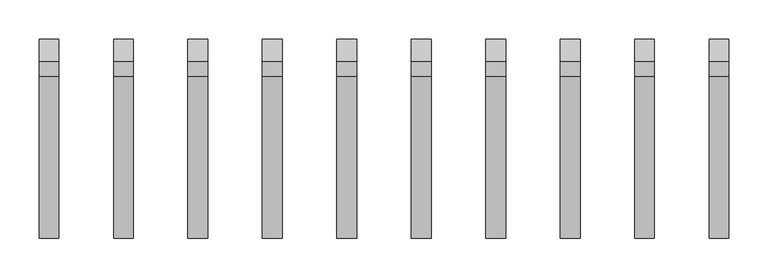
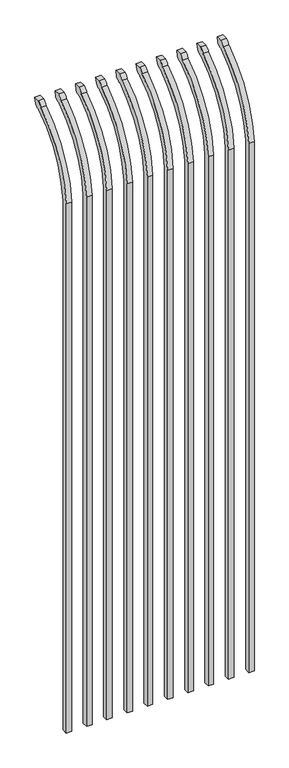
"""IFC4 building model written with IfcOpenShell, lengths in millimetres: railing geometry."""

from ifc_helpers import new_model, si_unit, point, frame, origin, place, context, project, spatial, polyline, circle_curve, ellipse_curve, trimmed, source, transform, mapped, element, save
from ifc_brep_helpers import plane_surface, cylinder_surface, revolved_surface, extruded_surface, advanced_brep


def railing_16928ac0(model_context):
    return source(origin(), model_context, "Body", "AdvancedBrep", [
        advanced_brep(
        [(21556.4350064, 8857.619541, 50.8), (21556.4350064, 8857.619541, 2673.5226889), (21556.4350064, 9054.7326851, 3005.7022378), (21556.4350064, 9081.2407099, 3020.3867549), (21556.4350064, 9087.1100864, 3048.0), (21556.4350064, 9058.8799449, 3048.0), (21556.4350064, 9039.4931591, 3027.0682561), (21556.4350064, 8832.219541, 2673.5226889), (21556.4350064, 8832.219541, 50.8), (21531.0350064, 8857.619541, 50.8), (21531.0350064, 8857.619541, 2673.5226889), (21531.0350064, 8832.219541, 2673.5226889), (21531.0350064, 8832.219541, 50.8), (21531.0350064, 9039.4931591, 3027.0682561), (21531.0350064, 9058.8799449, 3048.0), (21531.0350064, 9087.1100864, 3048.0), (21531.0350064, 9081.2407099, 3020.3867549), (21531.0350064, 9054.7326851, 3005.7022378)],
        [
            (0, 1),
            (1, 2, circle_curve(frame((21556.4350064, 9294.9874207, 2638.5640776), z_axis=(-1.0, 0.0, 0.0), x_axis=(0.0, 1.0, 0.0)), 438.7627681)),
            (2, 3, ellipse_curve(frame((21556.4350064, 9062.5579376, 3028.1180619), z_axis=(1.0, 0.0, 0.0), x_axis=(0.0, -0.7771459614569761, -0.6293203910498311)), 26.7460194, 19.05)),
            (3, 4),
            (4, 5),
            (5, 6, ellipse_curve(frame((21556.4350064, 9062.5579376, 3028.1180619), z_axis=(0.9999999999999999, 0.0, 0.0), x_axis=(0.0, -0.7771459614569769, -0.62932039104983)), 26.7460194, 19.05)),
            (6, 7, circle_curve(frame((21556.4350064, 9294.0333244, 2640.3065933), z_axis=(1.0, 0.0, 0.0), x_axis=(0.0, 1.0, 0.0)), 463.0067812)),
            (7, 8),
            (8, 0),
            (0, 9),
            (9, 10),
            (10, 1),
            (7, 11),
            (11, 12),
            (12, 8),
            (12, 9),
            (11, 13, circle_curve(frame((21531.0350064, 9294.0333244, 2640.3065933), z_axis=(-1.0, 0.0, 0.0), x_axis=(0.0, 1.0, 0.0)), 463.0067812)),
            (13, 14, ellipse_curve(frame((21531.0350064, 9062.5579376, 3028.1180619), z_axis=(-0.9999999999999999, 0.0, 0.0), x_axis=(0.0, -0.7771459614569769, -0.62932039104983)), 26.7460194, 19.05)),
            (14, 15),
            (15, 16),
            (16, 17, ellipse_curve(frame((21531.0350064, 9062.5579376, 3028.1180619), z_axis=(-1.0, 0.0, 0.0), x_axis=(0.0, -0.7771459614569761, -0.6293203910498311)), 26.7460194, 19.05)),
            (17, 10, circle_curve(frame((21531.0350064, 9294.9874207, 2638.5640776), z_axis=(1.0, 0.0, 0.0), x_axis=(0.0, 1.0, 0.0)), 438.7627681)),
            (17, 2),
            (16, 3),
            (15, 4),
            (14, 5),
            (13, 6),
        ],
        [
            plane_surface(frame((21556.4350064, 8857.619541, 50.8), z_axis=(1.0, 0.0, 0.0), x_axis=(0.0, 0.0, 1.0))),
            plane_surface(frame((21556.4350064, 8857.619541, 50.8), z_axis=(0.0, 1.0, 0.0), x_axis=(-1.0, 0.0, 0.0))),
            plane_surface(frame((21556.4350064, 8832.219541, 2673.5226889), z_axis=(0.0, -1.0, 0.0), x_axis=(-1.0, 0.0, 0.0))),
            plane_surface(frame((21556.4350064, 8832.219541, 50.8), z_axis=(0.0, 0.0, -1.0), x_axis=(-1.0, 0.0, 0.0))),
            plane_surface(frame((21531.0350064, 8857.619541, 50.8), z_axis=(-1.0, 0.0, 0.0), x_axis=(0.0, 0.0, -1.0))),
            revolved_surface(polyline([(21531.0350064, 9733.750188799999, 2638.5640776), (21556.4350064, 9733.750188799999, 2638.5640776)]), (21531.0350064, 9294.9874207, 2638.5640776), (-1.0, 0.0, 0.0)),
            extruded_surface(trimmed(ellipse_curve(frame((21505.6350064, 9062.5579376, 3028.1180619), z_axis=(1.0, 0.0, 0.0), x_axis=(0.0, -0.7771459614569761, -0.6293203910498311)), 26.7460194, 19.05), [point((21505.6350064, 9054.7326851, 3005.7022378))], [point((21505.6350064, 9081.2407099, 3020.3867549))], True, "CARTESIAN"), (25.400000000001455, 0.0, 0.0), 25.400000000001455),
            plane_surface(frame((21556.4350064, 9081.2407099, 3020.3867549), z_axis=(0.0, 0.9781476007338016, -0.2079116908177787), x_axis=(-1.0, 0.0, 0.0))),
            plane_surface(frame((21556.4350064, 9087.1100864, 3048.0), z_axis=(0.0, 0.0, 1.0), x_axis=(-1.0, 0.0, 0.0))),
            extruded_surface(trimmed(ellipse_curve(frame((21505.6350064, 9062.5579376, 3028.1180619), z_axis=(0.9999999999999999, 0.0, 0.0), x_axis=(0.0, -0.7771459614569769, -0.62932039104983)), 26.7460194, 19.05), [point((21505.6350064, 9058.8799449, 3048.0))], [point((21505.6350064, 9039.4931591, 3027.0682561))], True, "CARTESIAN"), (25.400000000001455, 0.0, 0.0), 25.400000000001455),
            cylinder_surface(frame((21531.0350064, 9294.0333244, 2640.3065933), z_axis=(1.0, 0.0, 0.0), x_axis=(0.0, 1.0, 0.0)), 463.0067812),
        ],
        [
            (0, [[1, 2, 3, 4, 5, 6, 7, 8, 9]]),
            (1, [[-1, 10, 11, 12]]),
            (2, [[-8, 13, 14, 15]]),
            (3, [[-9, -15, 16, -10]]),
            (4, [[-16, -14, 17, 18, 19, 20, 21, 22, -11]]),
            (5, [[-2, -12, -22, 23]]),
            (6, [[-3, -23, -21, 24]]),
            (7, [[-4, -24, -20, 25]]),
            (8, [[-5, -25, -19, 26]]),
            (9, [[-6, -26, -18, 27]]),
            (10, [[-7, -27, -17, -13]]),
        ],
    ),
        advanced_brep(
        [(21461.1850064, 8857.619541, 50.8), (21461.1850064, 8857.619541, 2673.5226889), (21461.1850064, 9054.7326851, 3005.7022378), (21461.1850064, 9081.2407099, 3020.3867549), (21461.1850064, 9087.1100864, 3048.0), (21461.1850064, 9058.8799449, 3048.0), (21461.1850064, 9039.4931591, 3027.0682561), (21461.1850064, 8832.219541, 2673.5226889), (21461.1850064, 8832.219541, 50.8), (21435.7850064, 8857.619541, 50.8), (21435.7850064, 8857.619541, 2673.5226889), (21435.7850064, 8832.219541, 2673.5226889), (21435.7850064, 8832.219541, 50.8), (21435.7850064, 9039.4931591, 3027.0682561), (21435.7850064, 9058.8799449, 3048.0), (21435.7850064, 9087.1100864, 3048.0), (21435.7850064, 9081.2407099, 3020.3867549), (21435.7850064, 9054.7326851, 3005.7022378)],
        [
            (0, 1),
            (1, 2, circle_curve(frame((21461.1850064, 9294.9874207, 2638.5640776), z_axis=(-1.0, 0.0, 0.0), x_axis=(0.0, 1.0, 0.0)), 438.7627681)),
            (2, 3, ellipse_curve(frame((21461.1850064, 9062.5579376, 3028.1180619), z_axis=(1.0, 0.0, 0.0), x_axis=(0.0, -0.7771459614569761, -0.6293203910498311)), 26.7460194, 19.05)),
            (3, 4),
            (4, 5),
            (5, 6, ellipse_curve(frame((21461.1850064, 9062.5579376, 3028.1180619), z_axis=(0.9999999999999999, 0.0, 0.0), x_axis=(0.0, -0.7771459614569769, -0.62932039104983)), 26.7460194, 19.05)),
            (6, 7, circle_curve(frame((21461.1850064, 9294.0333244, 2640.3065933), z_axis=(1.0, 0.0, 0.0), x_axis=(0.0, 1.0, 0.0)), 463.0067812)),
            (7, 8),
            (8, 0),
            (0, 9),
            (9, 10),
            (10, 1),
            (7, 11),
            (11, 12),
            (12, 8),
            (12, 9),
            (11, 13, circle_curve(frame((21435.7850064, 9294.0333244, 2640.3065933), z_axis=(-1.0, 0.0, 0.0), x_axis=(0.0, 1.0, 0.0)), 463.0067812)),
            (13, 14, ellipse_curve(frame((21435.7850064, 9062.5579376, 3028.1180619), z_axis=(-0.9999999999999999, 0.0, 0.0), x_axis=(0.0, -0.7771459614569769, -0.62932039104983)), 26.7460194, 19.05)),
            (14, 15),
            (15, 16),
            (16, 17, ellipse_curve(frame((21435.7850064, 9062.5579376, 3028.1180619), z_axis=(-1.0, 0.0, 0.0), x_axis=(0.0, -0.7771459614569761, -0.6293203910498311)), 26.7460194, 19.05)),
            (17, 10, circle_curve(frame((21435.7850064, 9294.9874207, 2638.5640776), z_axis=(1.0, 0.0, 0.0), x_axis=(0.0, 1.0, 0.0)), 438.7627681)),
            (17, 2),
            (16, 3),
            (15, 4),
            (14, 5),
            (13, 6),
        ],
        [
            plane_surface(frame((21461.1850064, 8857.619541, 50.8), z_axis=(1.0, 0.0, 0.0), x_axis=(0.0, 0.0, 1.0))),
            plane_surface(frame((21461.1850064, 8857.619541, 50.8), z_axis=(0.0, 1.0, 0.0), x_axis=(-1.0, 0.0, 0.0))),
            plane_surface(frame((21461.1850064, 8832.219541, 2673.5226889), z_axis=(0.0, -1.0, 0.0), x_axis=(-1.0, 0.0, 0.0))),
            plane_surface(frame((21461.1850064, 8832.219541, 50.8), z_axis=(0.0, 0.0, -1.0), x_axis=(-1.0, 0.0, 0.0))),
            plane_surface(frame((21435.7850064, 8857.619541, 50.8), z_axis=(-1.0, 0.0, 0.0), x_axis=(0.0, 0.0, -1.0))),
            revolved_surface(polyline([(21435.7850064, 9733.750188799999, 2638.5640776), (21461.1850064, 9733.750188799999, 2638.5640776)]), (21435.7850064, 9294.9874207, 2638.5640776), (-1.0, 0.0, 0.0)),
            extruded_surface(trimmed(ellipse_curve(frame((21410.3850064, 9062.5579376, 3028.1180619), z_axis=(1.0, 0.0, 0.0), x_axis=(0.0, -0.7771459614569761, -0.6293203910498311)), 26.7460194, 19.05), [point((21410.3850064, 9054.7326851, 3005.7022378))], [point((21410.3850064, 9081.2407099, 3020.3867549))], True, "CARTESIAN"), (25.400000000001455, 0.0, 0.0), 25.400000000001455),
            plane_surface(frame((21461.1850064, 9081.2407099, 3020.3867549), z_axis=(0.0, 0.9781476007338016, -0.2079116908177787), x_axis=(-1.0, 0.0, 0.0))),
            plane_surface(frame((21461.1850064, 9087.1100864, 3048.0), z_axis=(0.0, 0.0, 1.0), x_axis=(-1.0, 0.0, 0.0))),
            extruded_surface(trimmed(ellipse_curve(frame((21410.3850064, 9062.5579376, 3028.1180619), z_axis=(0.9999999999999999, 0.0, 0.0), x_axis=(0.0, -0.7771459614569769, -0.62932039104983)), 26.7460194, 19.05), [point((21410.3850064, 9058.8799449, 3048.0))], [point((21410.3850064, 9039.4931591, 3027.0682561))], True, "CARTESIAN"), (25.400000000001455, 0.0, 0.0), 25.400000000001455),
            cylinder_surface(frame((21435.7850064, 9294.0333244, 2640.3065933), z_axis=(1.0, 0.0, 0.0), x_axis=(0.0, 1.0, 0.0)), 463.0067812),
        ],
        [
            (0, [[1, 2, 3, 4, 5, 6, 7, 8, 9]]),
            (1, [[-1, 10, 11, 12]]),
            (2, [[-8, 13, 14, 15]]),
            (3, [[-9, -15, 16, -10]]),
            (4, [[-16, -14, 17, 18, 19, 20, 21, 22, -11]]),
            (5, [[-2, -12, -22, 23]]),
            (6, [[-3, -23, -21, 24]]),
            (7, [[-4, -24, -20, 25]]),
            (8, [[-5, -25, -19, 26]]),
            (9, [[-6, -26, -18, 27]]),
            (10, [[-7, -27, -17, -13]]),
        ],
    ),
        advanced_brep(
        [(21365.9350064, 8857.619541, 50.8), (21365.9350064, 8857.619541, 2673.5226889), (21365.9350064, 9054.7326851, 3005.7022378), (21365.9350064, 9081.2407099, 3020.3867549), (21365.9350064, 9087.1100864, 3048.0), (21365.9350064, 9058.8799449, 3048.0), (21365.9350064, 9039.4931591, 3027.0682561), (21365.9350064, 8832.219541, 2673.5226889), (21365.9350064, 8832.219541, 50.8), (21340.5350064, 8857.619541, 50.8), (21340.5350064, 8857.619541, 2673.5226889), (21340.5350064, 8832.219541, 2673.5226889), (21340.5350064, 8832.219541, 50.8), (21340.5350064, 9039.4931591, 3027.0682561), (21340.5350064, 9058.8799449, 3048.0), (21340.5350064, 9087.1100864, 3048.0), (21340.5350064, 9081.2407099, 3020.3867549), (21340.5350064, 9054.7326851, 3005.7022378)],
        [
            (0, 1),
            (1, 2, circle_curve(frame((21365.9350064, 9294.9874207, 2638.5640776), z_axis=(-1.0, 0.0, 0.0), x_axis=(0.0, 1.0, 0.0)), 438.7627681)),
            (2, 3, ellipse_curve(frame((21365.9350064, 9062.5579376, 3028.1180619), z_axis=(1.0, 0.0, 0.0), x_axis=(0.0, -0.7771459614569761, -0.6293203910498311)), 26.7460194, 19.05)),
            (3, 4),
            (4, 5),
            (5, 6, ellipse_curve(frame((21365.9350064, 9062.5579376, 3028.1180619), z_axis=(0.9999999999999999, 0.0, 0.0), x_axis=(0.0, -0.7771459614569769, -0.62932039104983)), 26.7460194, 19.05)),
            (6, 7, circle_curve(frame((21365.9350064, 9294.0333244, 2640.3065933), z_axis=(1.0, 0.0, 0.0), x_axis=(0.0, 1.0, 0.0)), 463.0067812)),
            (7, 8),
            (8, 0),
            (0, 9),
            (9, 10),
            (10, 1),
            (7, 11),
            (11, 12),
            (12, 8),
            (12, 9),
            (11, 13, circle_curve(frame((21340.5350064, 9294.0333244, 2640.3065933), z_axis=(-1.0, 0.0, 0.0), x_axis=(0.0, 1.0, 0.0)), 463.0067812)),
            (13, 14, ellipse_curve(frame((21340.5350064, 9062.5579376, 3028.1180619), z_axis=(-0.9999999999999999, 0.0, 0.0), x_axis=(0.0, -0.7771459614569769, -0.62932039104983)), 26.7460194, 19.05)),
            (14, 15),
            (15, 16),
            (16, 17, ellipse_curve(frame((21340.5350064, 9062.5579376, 3028.1180619), z_axis=(-1.0, 0.0, 0.0), x_axis=(0.0, -0.7771459614569761, -0.6293203910498311)), 26.7460194, 19.05)),
            (17, 10, circle_curve(frame((21340.5350064, 9294.9874207, 2638.5640776), z_axis=(1.0, 0.0, 0.0), x_axis=(0.0, 1.0, 0.0)), 438.7627681)),
            (17, 2),
            (16, 3),
            (15, 4),
            (14, 5),
            (13, 6),
        ],
        [
            plane_surface(frame((21365.9350064, 8857.619541, 50.8), z_axis=(1.0, 0.0, 0.0), x_axis=(0.0, 0.0, 1.0))),
            plane_surface(frame((21365.9350064, 8857.619541, 50.8), z_axis=(0.0, 1.0, 0.0), x_axis=(-1.0, 0.0, 0.0))),
            plane_surface(frame((21365.9350064, 8832.219541, 2673.5226889), z_axis=(0.0, -1.0, 0.0), x_axis=(-1.0, 0.0, 0.0))),
            plane_surface(frame((21365.9350064, 8832.219541, 50.8), z_axis=(0.0, 0.0, -1.0), x_axis=(-1.0, 0.0, 0.0))),
            plane_surface(frame((21340.5350064, 8857.619541, 50.8), z_axis=(-1.0, 0.0, 0.0), x_axis=(0.0, 0.0, -1.0))),
            revolved_surface(polyline([(21340.5350064, 9733.750188799999, 2638.5640776), (21365.9350064, 9733.750188799999, 2638.5640776)]), (21340.5350064, 9294.9874207, 2638.5640776), (-1.0, 0.0, 0.0)),
            extruded_surface(trimmed(ellipse_curve(frame((21315.1350064, 9062.5579376, 3028.1180619), z_axis=(1.0, 0.0, 0.0), x_axis=(0.0, -0.7771459614569761, -0.6293203910498311)), 26.7460194, 19.05), [point((21315.1350064, 9054.7326851, 3005.7022378))], [point((21315.1350064, 9081.2407099, 3020.3867549))], True, "CARTESIAN"), (25.400000000001455, 0.0, 0.0), 25.400000000001455),
            plane_surface(frame((21365.9350064, 9081.2407099, 3020.3867549), z_axis=(0.0, 0.9781476007338016, -0.2079116908177787), x_axis=(-1.0, 0.0, 0.0))),
            plane_surface(frame((21365.9350064, 9087.1100864, 3048.0), z_axis=(0.0, 0.0, 1.0), x_axis=(-1.0, 0.0, 0.0))),
            extruded_surface(trimmed(ellipse_curve(frame((21315.1350064, 9062.5579376, 3028.1180619), z_axis=(0.9999999999999999, 0.0, 0.0), x_axis=(0.0, -0.7771459614569769, -0.62932039104983)), 26.7460194, 19.05), [point((21315.1350064, 9058.8799449, 3048.0))], [point((21315.1350064, 9039.4931591, 3027.0682561))], True, "CARTESIAN"), (25.400000000001455, 0.0, 0.0), 25.400000000001455),
            cylinder_surface(frame((21340.5350064, 9294.0333244, 2640.3065933), z_axis=(1.0, 0.0, 0.0), x_axis=(0.0, 1.0, 0.0)), 463.0067812),
        ],
        [
            (0, [[1, 2, 3, 4, 5, 6, 7, 8, 9]]),
            (1, [[-1, 10, 11, 12]]),
            (2, [[-8, 13, 14, 15]]),
            (3, [[-9, -15, 16, -10]]),
            (4, [[-16, -14, 17, 18, 19, 20, 21, 22, -11]]),
            (5, [[-2, -12, -22, 23]]),
            (6, [[-3, -23, -21, 24]]),
            (7, [[-4, -24, -20, 25]]),
            (8, [[-5, -25, -19, 26]]),
            (9, [[-6, -26, -18, 27]]),
            (10, [[-7, -27, -17, -13]]),
        ],
    ),
        advanced_brep(
        [(21270.6850064, 8857.619541, 50.8), (21270.6850064, 8857.619541, 2673.5226889), (21270.6850064, 9054.7326851, 3005.7022378), (21270.6850064, 9081.2407099, 3020.3867549), (21270.6850064, 9087.1100864, 3048.0), (21270.6850064, 9058.8799449, 3048.0), (21270.6850064, 9039.4931591, 3027.0682561), (21270.6850064, 8832.219541, 2673.5226889), (21270.6850064, 8832.219541, 50.8), (21245.2850064, 8857.619541, 50.8), (21245.2850064, 8857.619541, 2673.5226889), (21245.2850064, 8832.219541, 2673.5226889), (21245.2850064, 8832.219541, 50.8), (21245.2850064, 9039.4931591, 3027.0682561), (21245.2850064, 9058.8799449, 3048.0), (21245.2850064, 9087.1100864, 3048.0), (21245.2850064, 9081.2407099, 3020.3867549), (21245.2850064, 9054.7326851, 3005.7022378)],
        [
            (0, 1),
            (1, 2, circle_curve(frame((21270.6850064, 9294.9874207, 2638.5640776), z_axis=(-1.0, 0.0, 0.0), x_axis=(0.0, 1.0, 0.0)), 438.7627681)),
            (2, 3, ellipse_curve(frame((21270.6850064, 9062.5579376, 3028.1180619), z_axis=(1.0, 0.0, 0.0), x_axis=(0.0, -0.7771459614569761, -0.6293203910498311)), 26.7460194, 19.05)),
            (3, 4),
            (4, 5),
            (5, 6, ellipse_curve(frame((21270.6850064, 9062.5579376, 3028.1180619), z_axis=(0.9999999999999999, 0.0, 0.0), x_axis=(0.0, -0.7771459614569769, -0.62932039104983)), 26.7460194, 19.05)),
            (6, 7, circle_curve(frame((21270.6850064, 9294.0333244, 2640.3065933), z_axis=(1.0, 0.0, 0.0), x_axis=(0.0, 1.0, 0.0)), 463.0067812)),
            (7, 8),
            (8, 0),
            (0, 9),
            (9, 10),
            (10, 1),
            (7, 11),
            (11, 12),
            (12, 8),
            (12, 9),
            (11, 13, circle_curve(frame((21245.2850064, 9294.0333244, 2640.3065933), z_axis=(-1.0, 0.0, 0.0), x_axis=(0.0, 1.0, 0.0)), 463.0067812)),
            (13, 14, ellipse_curve(frame((21245.2850064, 9062.5579376, 3028.1180619), z_axis=(-0.9999999999999999, 0.0, 0.0), x_axis=(0.0, -0.7771459614569769, -0.62932039104983)), 26.7460194, 19.05)),
            (14, 15),
            (15, 16),
            (16, 17, ellipse_curve(frame((21245.2850064, 9062.5579376, 3028.1180619), z_axis=(-1.0, 0.0, 0.0), x_axis=(0.0, -0.7771459614569761, -0.6293203910498311)), 26.7460194, 19.05)),
            (17, 10, circle_curve(frame((21245.2850064, 9294.9874207, 2638.5640776), z_axis=(1.0, 0.0, 0.0), x_axis=(0.0, 1.0, 0.0)), 438.7627681)),
            (17, 2),
            (16, 3),
            (15, 4),
            (14, 5),
            (13, 6),
        ],
        [
            plane_surface(frame((21270.6850064, 8857.619541, 50.8), z_axis=(1.0, 0.0, 0.0), x_axis=(0.0, 0.0, 1.0))),
            plane_surface(frame((21270.6850064, 8857.619541, 50.8), z_axis=(0.0, 1.0, 0.0), x_axis=(-1.0, 0.0, 0.0))),
            plane_surface(frame((21270.6850064, 8832.219541, 2673.5226889), z_axis=(0.0, -1.0, 0.0), x_axis=(-1.0, 0.0, 0.0))),
            plane_surface(frame((21270.6850064, 8832.219541, 50.8), z_axis=(0.0, 0.0, -1.0), x_axis=(-1.0, 0.0, 0.0))),
            plane_surface(frame((21245.2850064, 8857.619541, 50.8), z_axis=(-1.0, 0.0, 0.0), x_axis=(0.0, 0.0, -1.0))),
            revolved_surface(polyline([(21245.2850064, 9733.750188799999, 2638.5640776), (21270.6850064, 9733.750188799999, 2638.5640776)]), (21245.2850064, 9294.9874207, 2638.5640776), (-1.0, 0.0, 0.0)),
            extruded_surface(trimmed(ellipse_curve(frame((21219.8850064, 9062.5579376, 3028.1180619), z_axis=(1.0, 0.0, 0.0), x_axis=(0.0, -0.7771459614569761, -0.6293203910498311)), 26.7460194, 19.05), [point((21219.8850064, 9054.7326851, 3005.7022378))], [point((21219.8850064, 9081.2407099, 3020.3867549))], True, "CARTESIAN"), (25.400000000001455, 0.0, 0.0), 25.400000000001455),
            plane_surface(frame((21270.6850064, 9081.2407099, 3020.3867549), z_axis=(0.0, 0.9781476007338016, -0.2079116908177787), x_axis=(-1.0, 0.0, 0.0))),
            plane_surface(frame((21270.6850064, 9087.1100864, 3048.0), z_axis=(0.0, 0.0, 1.0), x_axis=(-1.0, 0.0, 0.0))),
            extruded_surface(trimmed(ellipse_curve(frame((21219.8850064, 9062.5579376, 3028.1180619), z_axis=(0.9999999999999999, 0.0, 0.0), x_axis=(0.0, -0.7771459614569769, -0.62932039104983)), 26.7460194, 19.05), [point((21219.8850064, 9058.8799449, 3048.0))], [point((21219.8850064, 9039.4931591, 3027.0682561))], True, "CARTESIAN"), (25.400000000001455, 0.0, 0.0), 25.400000000001455),
            cylinder_surface(frame((21245.2850064, 9294.0333244, 2640.3065933), z_axis=(1.0, 0.0, 0.0), x_axis=(0.0, 1.0, 0.0)), 463.0067812),
        ],
        [
            (0, [[1, 2, 3, 4, 5, 6, 7, 8, 9]]),
            (1, [[-1, 10, 11, 12]]),
            (2, [[-8, 13, 14, 15]]),
            (3, [[-9, -15, 16, -10]]),
            (4, [[-16, -14, 17, 18, 19, 20, 21, 22, -11]]),
            (5, [[-2, -12, -22, 23]]),
            (6, [[-3, -23, -21, 24]]),
            (7, [[-4, -24, -20, 25]]),
            (8, [[-5, -25, -19, 26]]),
            (9, [[-6, -26, -18, 27]]),
            (10, [[-7, -27, -17, -13]]),
        ],
    ),
        advanced_brep(
        [(21175.4350064, 8857.619541, 50.8), (21175.4350064, 8857.619541, 2673.5226889), (21175.4350064, 9054.7326851, 3005.7022378), (21175.4350064, 9081.2407099, 3020.3867549), (21175.4350064, 9087.1100864, 3048.0), (21175.4350064, 9058.8799449, 3048.0), (21175.4350064, 9039.4931591, 3027.0682561), (21175.4350064, 8832.219541, 2673.5226889), (21175.4350064, 8832.219541, 50.8), (21150.0350064, 8857.619541, 50.8), (21150.0350064, 8857.619541, 2673.5226889), (21150.0350064, 8832.219541, 2673.5226889), (21150.0350064, 8832.219541, 50.8), (21150.0350064, 9039.4931591, 3027.0682561), (21150.0350064, 9058.8799449, 3048.0), (21150.0350064, 9087.1100864, 3048.0), (21150.0350064, 9081.2407099, 3020.3867549), (21150.0350064, 9054.7326851, 3005.7022378)],
        [
            (0, 1),
            (1, 2, circle_curve(frame((21175.4350064, 9294.9874207, 2638.5640776), z_axis=(-1.0, 0.0, 0.0), x_axis=(0.0, 1.0, 0.0)), 438.7627681)),
            (2, 3, ellipse_curve(frame((21175.4350064, 9062.5579376, 3028.1180619), z_axis=(1.0, 0.0, 0.0), x_axis=(0.0, -0.7771459614569761, -0.6293203910498311)), 26.7460194, 19.05)),
            (3, 4),
            (4, 5),
            (5, 6, ellipse_curve(frame((21175.4350064, 9062.5579376, 3028.1180619), z_axis=(0.9999999999999999, 0.0, 0.0), x_axis=(0.0, -0.7771459614569769, -0.62932039104983)), 26.7460194, 19.05)),
            (6, 7, circle_curve(frame((21175.4350064, 9294.0333244, 2640.3065933), z_axis=(1.0, 0.0, 0.0), x_axis=(0.0, 1.0, 0.0)), 463.0067812)),
            (7, 8),
            (8, 0),
            (0, 9),
            (9, 10),
            (10, 1),
            (7, 11),
            (11, 12),
            (12, 8),
            (12, 9),
            (11, 13, circle_curve(frame((21150.0350064, 9294.0333244, 2640.3065933), z_axis=(-1.0, 0.0, 0.0), x_axis=(0.0, 1.0, 0.0)), 463.0067812)),
            (13, 14, ellipse_curve(frame((21150.0350064, 9062.5579376, 3028.1180619), z_axis=(-0.9999999999999999, 0.0, 0.0), x_axis=(0.0, -0.7771459614569769, -0.62932039104983)), 26.7460194, 19.05)),
            (14, 15),
            (15, 16),
            (16, 17, ellipse_curve(frame((21150.0350064, 9062.5579376, 3028.1180619), z_axis=(-1.0, 0.0, 0.0), x_axis=(0.0, -0.7771459614569761, -0.6293203910498311)), 26.7460194, 19.05)),
            (17, 10, circle_curve(frame((21150.0350064, 9294.9874207, 2638.5640776), z_axis=(1.0, 0.0, 0.0), x_axis=(0.0, 1.0, 0.0)), 438.7627681)),
            (17, 2),
            (16, 3),
            (15, 4),
            (14, 5),
            (13, 6),
        ],
        [
            plane_surface(frame((21175.4350064, 8857.619541, 50.8), z_axis=(1.0, 0.0, 0.0), x_axis=(0.0, 0.0, 1.0))),
            plane_surface(frame((21175.4350064, 8857.619541, 50.8), z_axis=(0.0, 1.0, 0.0), x_axis=(-1.0, 0.0, 0.0))),
            plane_surface(frame((21175.4350064, 8832.219541, 2673.5226889), z_axis=(0.0, -1.0, 0.0), x_axis=(-1.0, 0.0, 0.0))),
            plane_surface(frame((21175.4350064, 8832.219541, 50.8), z_axis=(0.0, 0.0, -1.0), x_axis=(-1.0, 0.0, 0.0))),
            plane_surface(frame((21150.0350064, 8857.619541, 50.8), z_axis=(-1.0, 0.0, 0.0), x_axis=(0.0, 0.0, -1.0))),
            revolved_surface(polyline([(21150.0350064, 9733.750188799999, 2638.5640776), (21175.4350064, 9733.750188799999, 2638.5640776)]), (21150.0350064, 9294.9874207, 2638.5640776), (-1.0, 0.0, 0.0)),
            extruded_surface(trimmed(ellipse_curve(frame((21124.6350064, 9062.5579376, 3028.1180619), z_axis=(1.0, 0.0, 0.0), x_axis=(0.0, -0.7771459614569761, -0.6293203910498311)), 26.7460194, 19.05), [point((21124.6350064, 9054.7326851, 3005.7022378))], [point((21124.6350064, 9081.2407099, 3020.3867549))], True, "CARTESIAN"), (25.400000000001455, 0.0, 0.0), 25.400000000001455),
            plane_surface(frame((21175.4350064, 9081.2407099, 3020.3867549), z_axis=(0.0, 0.9781476007338016, -0.2079116908177787), x_axis=(-1.0, 0.0, 0.0))),
            plane_surface(frame((21175.4350064, 9087.1100864, 3048.0), z_axis=(0.0, 0.0, 1.0), x_axis=(-1.0, 0.0, 0.0))),
            extruded_surface(trimmed(ellipse_curve(frame((21124.6350064, 9062.5579376, 3028.1180619), z_axis=(0.9999999999999999, 0.0, 0.0), x_axis=(0.0, -0.7771459614569769, -0.62932039104983)), 26.7460194, 19.05), [point((21124.6350064, 9058.8799449, 3048.0))], [point((21124.6350064, 9039.4931591, 3027.0682561))], True, "CARTESIAN"), (25.400000000001455, 0.0, 0.0), 25.400000000001455),
            cylinder_surface(frame((21150.0350064, 9294.0333244, 2640.3065933), z_axis=(1.0, 0.0, 0.0), x_axis=(0.0, 1.0, 0.0)), 463.0067812),
        ],
        [
            (0, [[1, 2, 3, 4, 5, 6, 7, 8, 9]]),
            (1, [[-1, 10, 11, 12]]),
            (2, [[-8, 13, 14, 15]]),
            (3, [[-9, -15, 16, -10]]),
            (4, [[-16, -14, 17, 18, 19, 20, 21, 22, -11]]),
            (5, [[-2, -12, -22, 23]]),
            (6, [[-3, -23, -21, 24]]),
            (7, [[-4, -24, -20, 25]]),
            (8, [[-5, -25, -19, 26]]),
            (9, [[-6, -26, -18, 27]]),
            (10, [[-7, -27, -17, -13]]),
        ],
    ),
        advanced_brep(
        [(21080.1850064, 8857.619541, 50.8), (21080.1850064, 8857.619541, 2673.5226889), (21080.1850064, 9054.7326851, 3005.7022378), (21080.1850064, 9081.2407099, 3020.3867549), (21080.1850064, 9087.1100864, 3048.0), (21080.1850064, 9058.8799449, 3048.0), (21080.1850064, 9039.4931591, 3027.0682561), (21080.1850064, 8832.219541, 2673.5226889), (21080.1850064, 8832.219541, 50.8), (21054.7850064, 8857.619541, 50.8), (21054.7850064, 8857.619541, 2673.5226889), (21054.7850064, 8832.219541, 2673.5226889), (21054.7850064, 8832.219541, 50.8), (21054.7850064, 9039.4931591, 3027.0682561), (21054.7850064, 9058.8799449, 3048.0), (21054.7850064, 9087.1100864, 3048.0), (21054.7850064, 9081.2407099, 3020.3867549), (21054.7850064, 9054.7326851, 3005.7022378)],
        [
            (0, 1),
            (1, 2, circle_curve(frame((21080.1850064, 9294.9874207, 2638.5640776), z_axis=(-1.0, 0.0, 0.0), x_axis=(0.0, 1.0, 0.0)), 438.7627681)),
            (2, 3, ellipse_curve(frame((21080.1850064, 9062.5579376, 3028.1180619), z_axis=(1.0, 0.0, 0.0), x_axis=(0.0, -0.7771459614569761, -0.6293203910498311)), 26.7460194, 19.05)),
            (3, 4),
            (4, 5),
            (5, 6, ellipse_curve(frame((21080.1850064, 9062.5579376, 3028.1180619), z_axis=(0.9999999999999999, 0.0, 0.0), x_axis=(0.0, -0.7771459614569769, -0.62932039104983)), 26.7460194, 19.05)),
            (6, 7, circle_curve(frame((21080.1850064, 9294.0333244, 2640.3065933), z_axis=(1.0, 0.0, 0.0), x_axis=(0.0, 1.0, 0.0)), 463.0067812)),
            (7, 8),
            (8, 0),
            (0, 9),
            (9, 10),
            (10, 1),
            (7, 11),
            (11, 12),
            (12, 8),
            (12, 9),
            (11, 13, circle_curve(frame((21054.7850064, 9294.0333244, 2640.3065933), z_axis=(-1.0, 0.0, 0.0), x_axis=(0.0, 1.0, 0.0)), 463.0067812)),
            (13, 14, ellipse_curve(frame((21054.7850064, 9062.5579376, 3028.1180619), z_axis=(-0.9999999999999999, 0.0, 0.0), x_axis=(0.0, -0.7771459614569769, -0.62932039104983)), 26.7460194, 19.05)),
            (14, 15),
            (15, 16),
            (16, 17, ellipse_curve(frame((21054.7850064, 9062.5579376, 3028.1180619), z_axis=(-1.0, 0.0, 0.0), x_axis=(0.0, -0.7771459614569761, -0.6293203910498311)), 26.7460194, 19.05)),
            (17, 10, circle_curve(frame((21054.7850064, 9294.9874207, 2638.5640776), z_axis=(1.0, 0.0, 0.0), x_axis=(0.0, 1.0, 0.0)), 438.7627681)),
            (17, 2),
            (16, 3),
            (15, 4),
            (14, 5),
            (13, 6),
        ],
        [
            plane_surface(frame((21080.1850064, 8857.619541, 50.8), z_axis=(1.0, 0.0, 0.0), x_axis=(0.0, 0.0, 1.0))),
            plane_surface(frame((21080.1850064, 8857.619541, 50.8), z_axis=(0.0, 1.0, 0.0), x_axis=(-1.0, 0.0, 0.0))),
            plane_surface(frame((21080.1850064, 8832.219541, 2673.5226889), z_axis=(0.0, -1.0, 0.0), x_axis=(-1.0, 0.0, 0.0))),
            plane_surface(frame((21080.1850064, 8832.219541, 50.8), z_axis=(0.0, 0.0, -1.0), x_axis=(-1.0, 0.0, 0.0))),
            plane_surface(frame((21054.7850064, 8857.619541, 50.8), z_axis=(-1.0, 0.0, 0.0), x_axis=(0.0, 0.0, -1.0))),
            revolved_surface(polyline([(21054.7850064, 9733.750188799999, 2638.5640776), (21080.1850064, 9733.750188799999, 2638.5640776)]), (21054.7850064, 9294.9874207, 2638.5640776), (-1.0, 0.0, 0.0)),
            extruded_surface(trimmed(ellipse_curve(frame((21029.3850064, 9062.5579376, 3028.1180619), z_axis=(1.0, 0.0, 0.0), x_axis=(0.0, -0.7771459614569761, -0.6293203910498311)), 26.7460194, 19.05), [point((21029.3850064, 9054.7326851, 3005.7022378))], [point((21029.3850064, 9081.2407099, 3020.3867549))], True, "CARTESIAN"), (25.400000000001455, 0.0, 0.0), 25.400000000001455),
            plane_surface(frame((21080.1850064, 9081.2407099, 3020.3867549), z_axis=(0.0, 0.9781476007338016, -0.2079116908177787), x_axis=(-1.0, 0.0, 0.0))),
            plane_surface(frame((21080.1850064, 9087.1100864, 3048.0), z_axis=(0.0, 0.0, 1.0), x_axis=(-1.0, 0.0, 0.0))),
            extruded_surface(trimmed(ellipse_curve(frame((21029.3850064, 9062.5579376, 3028.1180619), z_axis=(0.9999999999999999, 0.0, 0.0), x_axis=(0.0, -0.7771459614569769, -0.62932039104983)), 26.7460194, 19.05), [point((21029.3850064, 9058.8799449, 3048.0))], [point((21029.3850064, 9039.4931591, 3027.0682561))], True, "CARTESIAN"), (25.400000000001455, 0.0, 0.0), 25.400000000001455),
            cylinder_surface(frame((21054.7850064, 9294.0333244, 2640.3065933), z_axis=(1.0, 0.0, 0.0), x_axis=(0.0, 1.0, 0.0)), 463.0067812),
        ],
        [
            (0, [[1, 2, 3, 4, 5, 6, 7, 8, 9]]),
            (1, [[-1, 10, 11, 12]]),
            (2, [[-8, 13, 14, 15]]),
            (3, [[-9, -15, 16, -10]]),
            (4, [[-16, -14, 17, 18, 19, 20, 21, 22, -11]]),
            (5, [[-2, -12, -22, 23]]),
            (6, [[-3, -23, -21, 24]]),
            (7, [[-4, -24, -20, 25]]),
            (8, [[-5, -25, -19, 26]]),
            (9, [[-6, -26, -18, 27]]),
            (10, [[-7, -27, -17, -13]]),
        ],
    ),
        advanced_brep(
        [(20984.9350064, 8857.619541, 50.8), (20984.9350064, 8857.619541, 2673.5226889), (20984.9350064, 9054.7326851, 3005.7022378), (20984.9350064, 9081.2407099, 3020.3867549), (20984.9350064, 9087.1100864, 3048.0), (20984.9350064, 9058.8799449, 3048.0), (20984.9350064, 9039.4931591, 3027.0682561), (20984.9350064, 8832.219541, 2673.5226889), (20984.9350064, 8832.219541, 50.8), (20959.5350064, 8857.619541, 50.8), (20959.5350064, 8857.619541, 2673.5226889), (20959.5350064, 8832.219541, 2673.5226889), (20959.5350064, 8832.219541, 50.8), (20959.5350064, 9039.4931591, 3027.0682561), (20959.5350064, 9058.8799449, 3048.0), (20959.5350064, 9087.1100864, 3048.0), (20959.5350064, 9081.2407099, 3020.3867549), (20959.5350064, 9054.7326851, 3005.7022378)],
        [
            (0, 1),
            (1, 2, circle_curve(frame((20984.9350064, 9294.9874207, 2638.5640776), z_axis=(-1.0, 0.0, 0.0), x_axis=(0.0, 1.0, 0.0)), 438.7627681)),
            (2, 3, ellipse_curve(frame((20984.9350064, 9062.5579376, 3028.1180619), z_axis=(1.0, 0.0, 0.0), x_axis=(0.0, -0.7771459614569761, -0.6293203910498311)), 26.7460194, 19.05)),
            (3, 4),
            (4, 5),
            (5, 6, ellipse_curve(frame((20984.9350064, 9062.5579376, 3028.1180619), z_axis=(0.9999999999999999, 0.0, 0.0), x_axis=(0.0, -0.7771459614569769, -0.62932039104983)), 26.7460194, 19.05)),
            (6, 7, circle_curve(frame((20984.9350064, 9294.0333244, 2640.3065933), z_axis=(1.0, 0.0, 0.0), x_axis=(0.0, 1.0, 0.0)), 463.0067812)),
            (7, 8),
            (8, 0),
            (0, 9),
            (9, 10),
            (10, 1),
            (7, 11),
            (11, 12),
            (12, 8),
            (12, 9),
            (11, 13, circle_curve(frame((20959.5350064, 9294.0333244, 2640.3065933), z_axis=(-1.0, 0.0, 0.0), x_axis=(0.0, 1.0, 0.0)), 463.0067812)),
            (13, 14, ellipse_curve(frame((20959.5350064, 9062.5579376, 3028.1180619), z_axis=(-0.9999999999999999, 0.0, 0.0), x_axis=(0.0, -0.7771459614569769, -0.62932039104983)), 26.7460194, 19.05)),
            (14, 15),
            (15, 16),
            (16, 17, ellipse_curve(frame((20959.5350064, 9062.5579376, 3028.1180619), z_axis=(-1.0, 0.0, 0.0), x_axis=(0.0, -0.7771459614569761, -0.6293203910498311)), 26.7460194, 19.05)),
            (17, 10, circle_curve(frame((20959.5350064, 9294.9874207, 2638.5640776), z_axis=(1.0, 0.0, 0.0), x_axis=(0.0, 1.0, 0.0)), 438.7627681)),
            (17, 2),
            (16, 3),
            (15, 4),
            (14, 5),
            (13, 6),
        ],
        [
            plane_surface(frame((20984.9350064, 8857.619541, 50.8), z_axis=(1.0, 0.0, 0.0), x_axis=(0.0, 0.0, 1.0))),
            plane_surface(frame((20984.9350064, 8857.619541, 50.8), z_axis=(0.0, 1.0, 0.0), x_axis=(-1.0, 0.0, 0.0))),
            plane_surface(frame((20984.9350064, 8832.219541, 2673.5226889), z_axis=(0.0, -1.0, 0.0), x_axis=(-1.0, 0.0, 0.0))),
            plane_surface(frame((20984.9350064, 8832.219541, 50.8), z_axis=(0.0, 0.0, -1.0), x_axis=(-1.0, 0.0, 0.0))),
            plane_surface(frame((20959.5350064, 8857.619541, 50.8), z_axis=(-1.0, 0.0, 0.0), x_axis=(0.0, 0.0, -1.0))),
            revolved_surface(polyline([(20959.5350064, 9733.750188799999, 2638.5640776), (20984.9350064, 9733.750188799999, 2638.5640776)]), (20959.5350064, 9294.9874207, 2638.5640776), (-1.0, 0.0, 0.0)),
            extruded_surface(trimmed(ellipse_curve(frame((20934.1350064, 9062.5579376, 3028.1180619), z_axis=(1.0, 0.0, 0.0), x_axis=(0.0, -0.7771459614569761, -0.6293203910498311)), 26.7460194, 19.05), [point((20934.1350064, 9054.7326851, 3005.7022378))], [point((20934.1350064, 9081.2407099, 3020.3867549))], True, "CARTESIAN"), (25.400000000001455, 0.0, 0.0), 25.400000000001455),
            plane_surface(frame((20984.9350064, 9081.2407099, 3020.3867549), z_axis=(0.0, 0.9781476007338016, -0.2079116908177787), x_axis=(-1.0, 0.0, 0.0))),
            plane_surface(frame((20984.9350064, 9087.1100864, 3048.0), z_axis=(0.0, 0.0, 1.0), x_axis=(-1.0, 0.0, 0.0))),
            extruded_surface(trimmed(ellipse_curve(frame((20934.1350064, 9062.5579376, 3028.1180619), z_axis=(0.9999999999999999, 0.0, 0.0), x_axis=(0.0, -0.7771459614569769, -0.62932039104983)), 26.7460194, 19.05), [point((20934.1350064, 9058.8799449, 3048.0))], [point((20934.1350064, 9039.4931591, 3027.0682561))], True, "CARTESIAN"), (25.400000000001455, 0.0, 0.0), 25.400000000001455),
            cylinder_surface(frame((20959.5350064, 9294.0333244, 2640.3065933), z_axis=(1.0, 0.0, 0.0), x_axis=(0.0, 1.0, 0.0)), 463.0067812),
        ],
        [
            (0, [[1, 2, 3, 4, 5, 6, 7, 8, 9]]),
            (1, [[-1, 10, 11, 12]]),
            (2, [[-8, 13, 14, 15]]),
            (3, [[-9, -15, 16, -10]]),
            (4, [[-16, -14, 17, 18, 19, 20, 21, 22, -11]]),
            (5, [[-2, -12, -22, 23]]),
            (6, [[-3, -23, -21, 24]]),
            (7, [[-4, -24, -20, 25]]),
            (8, [[-5, -25, -19, 26]]),
            (9, [[-6, -26, -18, 27]]),
            (10, [[-7, -27, -17, -13]]),
        ],
    ),
        advanced_brep(
        [(20889.6850064, 8857.619541, 50.8), (20889.6850064, 8857.619541, 2673.5226889), (20889.6850064, 9054.7326851, 3005.7022378), (20889.6850064, 9081.2407099, 3020.3867549), (20889.6850064, 9087.1100864, 3048.0), (20889.6850064, 9058.8799449, 3048.0), (20889.6850064, 9039.4931591, 3027.0682561), (20889.6850064, 8832.219541, 2673.5226889), (20889.6850064, 8832.219541, 50.8), (20864.2850064, 8857.619541, 50.8), (20864.2850064, 8857.619541, 2673.5226889), (20864.2850064, 8832.219541, 2673.5226889), (20864.2850064, 8832.219541, 50.8), (20864.2850064, 9039.4931591, 3027.0682561), (20864.2850064, 9058.8799449, 3048.0), (20864.2850064, 9087.1100864, 3048.0), (20864.2850064, 9081.2407099, 3020.3867549), (20864.2850064, 9054.7326851, 3005.7022378)],
        [
            (0, 1),
            (1, 2, circle_curve(frame((20889.6850064, 9294.9874207, 2638.5640776), z_axis=(-1.0, 0.0, 0.0), x_axis=(0.0, 1.0, 0.0)), 438.7627681)),
            (2, 3, ellipse_curve(frame((20889.6850064, 9062.5579376, 3028.1180619), z_axis=(1.0, 0.0, 0.0), x_axis=(0.0, -0.7771459614569761, -0.6293203910498311)), 26.7460194, 19.05)),
            (3, 4),
            (4, 5),
            (5, 6, ellipse_curve(frame((20889.6850064, 9062.5579376, 3028.1180619), z_axis=(0.9999999999999999, 0.0, 0.0), x_axis=(0.0, -0.7771459614569769, -0.62932039104983)), 26.7460194, 19.05)),
            (6, 7, circle_curve(frame((20889.6850064, 9294.0333244, 2640.3065933), z_axis=(1.0, 0.0, 0.0), x_axis=(0.0, 1.0, 0.0)), 463.0067812)),
            (7, 8),
            (8, 0),
            (0, 9),
            (9, 10),
            (10, 1),
            (7, 11),
            (11, 12),
            (12, 8),
            (12, 9),
            (11, 13, circle_curve(frame((20864.2850064, 9294.0333244, 2640.3065933), z_axis=(-1.0, 0.0, 0.0), x_axis=(0.0, 1.0, 0.0)), 463.0067812)),
            (13, 14, ellipse_curve(frame((20864.2850064, 9062.5579376, 3028.1180619), z_axis=(-0.9999999999999999, 0.0, 0.0), x_axis=(0.0, -0.7771459614569769, -0.62932039104983)), 26.7460194, 19.05)),
            (14, 15),
            (15, 16),
            (16, 17, ellipse_curve(frame((20864.2850064, 9062.5579376, 3028.1180619), z_axis=(-1.0, 0.0, 0.0), x_axis=(0.0, -0.7771459614569761, -0.6293203910498311)), 26.7460194, 19.05)),
            (17, 10, circle_curve(frame((20864.2850064, 9294.9874207, 2638.5640776), z_axis=(1.0, 0.0, 0.0), x_axis=(0.0, 1.0, 0.0)), 438.7627681)),
            (17, 2),
            (16, 3),
            (15, 4),
            (14, 5),
            (13, 6),
        ],
        [
            plane_surface(frame((20889.6850064, 8857.619541, 50.8), z_axis=(1.0, 0.0, 0.0), x_axis=(0.0, 0.0, 1.0))),
            plane_surface(frame((20889.6850064, 8857.619541, 50.8), z_axis=(0.0, 1.0, 0.0), x_axis=(-1.0, 0.0, 0.0))),
            plane_surface(frame((20889.6850064, 8832.219541, 2673.5226889), z_axis=(0.0, -1.0, 0.0), x_axis=(-1.0, 0.0, 0.0))),
            plane_surface(frame((20889.6850064, 8832.219541, 50.8), z_axis=(0.0, 0.0, -1.0), x_axis=(-1.0, 0.0, 0.0))),
            plane_surface(frame((20864.2850064, 8857.619541, 50.8), z_axis=(-1.0, 0.0, 0.0), x_axis=(0.0, 0.0, -1.0))),
            revolved_surface(polyline([(20864.2850064, 9733.750188799999, 2638.5640776), (20889.6850064, 9733.750188799999, 2638.5640776)]), (20864.2850064, 9294.9874207, 2638.5640776), (-1.0, 0.0, 0.0)),
            extruded_surface(trimmed(ellipse_curve(frame((20838.8850064, 9062.5579376, 3028.1180619), z_axis=(1.0, 0.0, 0.0), x_axis=(0.0, -0.7771459614569761, -0.6293203910498311)), 26.7460194, 19.05), [point((20838.8850064, 9054.7326851, 3005.7022378))], [point((20838.8850064, 9081.2407099, 3020.3867549))], True, "CARTESIAN"), (25.400000000001455, 0.0, 0.0), 25.400000000001455),
            plane_surface(frame((20889.6850064, 9081.2407099, 3020.3867549), z_axis=(0.0, 0.9781476007338016, -0.2079116908177787), x_axis=(-1.0, 0.0, 0.0))),
            plane_surface(frame((20889.6850064, 9087.1100864, 3048.0), z_axis=(0.0, 0.0, 1.0), x_axis=(-1.0, 0.0, 0.0))),
            extruded_surface(trimmed(ellipse_curve(frame((20838.8850064, 9062.5579376, 3028.1180619), z_axis=(0.9999999999999999, 0.0, 0.0), x_axis=(0.0, -0.7771459614569769, -0.62932039104983)), 26.7460194, 19.05), [point((20838.8850064, 9058.8799449, 3048.0))], [point((20838.8850064, 9039.4931591, 3027.0682561))], True, "CARTESIAN"), (25.400000000001455, 0.0, 0.0), 25.400000000001455),
            cylinder_surface(frame((20864.2850064, 9294.0333244, 2640.3065933), z_axis=(1.0, 0.0, 0.0), x_axis=(0.0, 1.0, 0.0)), 463.0067812),
        ],
        [
            (0, [[1, 2, 3, 4, 5, 6, 7, 8, 9]]),
            (1, [[-1, 10, 11, 12]]),
            (2, [[-8, 13, 14, 15]]),
            (3, [[-9, -15, 16, -10]]),
            (4, [[-16, -14, 17, 18, 19, 20, 21, 22, -11]]),
            (5, [[-2, -12, -22, 23]]),
            (6, [[-3, -23, -21, 24]]),
            (7, [[-4, -24, -20, 25]]),
            (8, [[-5, -25, -19, 26]]),
            (9, [[-6, -26, -18, 27]]),
            (10, [[-7, -27, -17, -13]]),
        ],
    ),
        advanced_brep(
        [(20794.4350064, 8857.619541, 50.8), (20794.4350064, 8857.619541, 2673.5226889), (20794.4350064, 9054.7326851, 3005.7022378), (20794.4350064, 9081.2407099, 3020.3867549), (20794.4350064, 9087.1100864, 3048.0), (20794.4350064, 9058.8799449, 3048.0), (20794.4350064, 9039.4931591, 3027.0682561), (20794.4350064, 8832.219541, 2673.5226889), (20794.4350064, 8832.219541, 50.8), (20769.0350064, 8857.619541, 50.8), (20769.0350064, 8857.619541, 2673.5226889), (20769.0350064, 8832.219541, 2673.5226889), (20769.0350064, 8832.219541, 50.8), (20769.0350064, 9039.4931591, 3027.0682561), (20769.0350064, 9058.8799449, 3048.0), (20769.0350064, 9087.1100864, 3048.0), (20769.0350064, 9081.2407099, 3020.3867549), (20769.0350064, 9054.7326851, 3005.7022378)],
        [
            (0, 1),
            (1, 2, circle_curve(frame((20794.4350064, 9294.9874207, 2638.5640776), z_axis=(-1.0, 0.0, 0.0), x_axis=(0.0, 1.0, 0.0)), 438.7627681)),
            (2, 3, ellipse_curve(frame((20794.4350064, 9062.5579376, 3028.1180619), z_axis=(1.0, 0.0, 0.0), x_axis=(0.0, -0.7771459614569761, -0.6293203910498311)), 26.7460194, 19.05)),
            (3, 4),
            (4, 5),
            (5, 6, ellipse_curve(frame((20794.4350064, 9062.5579376, 3028.1180619), z_axis=(0.9999999999999999, 0.0, 0.0), x_axis=(0.0, -0.7771459614569769, -0.62932039104983)), 26.7460194, 19.05)),
            (6, 7, circle_curve(frame((20794.4350064, 9294.0333244, 2640.3065933), z_axis=(1.0, 0.0, 0.0), x_axis=(0.0, 1.0, 0.0)), 463.0067812)),
            (7, 8),
            (8, 0),
            (0, 9),
            (9, 10),
            (10, 1),
            (7, 11),
            (11, 12),
            (12, 8),
            (12, 9),
            (11, 13, circle_curve(frame((20769.0350064, 9294.0333244, 2640.3065933), z_axis=(-1.0, 0.0, 0.0), x_axis=(0.0, 1.0, 0.0)), 463.0067812)),
            (13, 14, ellipse_curve(frame((20769.0350064, 9062.5579376, 3028.1180619), z_axis=(-0.9999999999999999, 0.0, 0.0), x_axis=(0.0, -0.7771459614569769, -0.62932039104983)), 26.7460194, 19.05)),
            (14, 15),
            (15, 16),
            (16, 17, ellipse_curve(frame((20769.0350064, 9062.5579376, 3028.1180619), z_axis=(-1.0, 0.0, 0.0), x_axis=(0.0, -0.7771459614569761, -0.6293203910498311)), 26.7460194, 19.05)),
            (17, 10, circle_curve(frame((20769.0350064, 9294.9874207, 2638.5640776), z_axis=(1.0, 0.0, 0.0), x_axis=(0.0, 1.0, 0.0)), 438.7627681)),
            (17, 2),
            (16, 3),
            (15, 4),
            (14, 5),
            (13, 6),
        ],
        [
            plane_surface(frame((20794.4350064, 8857.619541, 50.8), z_axis=(1.0, 0.0, 0.0), x_axis=(0.0, 0.0, 1.0))),
            plane_surface(frame((20794.4350064, 8857.619541, 50.8), z_axis=(0.0, 1.0, 0.0), x_axis=(-1.0, 0.0, 0.0))),
            plane_surface(frame((20794.4350064, 8832.219541, 2673.5226889), z_axis=(0.0, -1.0, 0.0), x_axis=(-1.0, 0.0, 0.0))),
            plane_surface(frame((20794.4350064, 8832.219541, 50.8), z_axis=(0.0, 0.0, -1.0), x_axis=(-1.0, 0.0, 0.0))),
            plane_surface(frame((20769.0350064, 8857.619541, 50.8), z_axis=(-1.0, 0.0, 0.0), x_axis=(0.0, 0.0, -1.0))),
            revolved_surface(polyline([(20769.0350064, 9733.750188799999, 2638.5640776), (20794.4350064, 9733.750188799999, 2638.5640776)]), (20769.0350064, 9294.9874207, 2638.5640776), (-1.0, 0.0, 0.0)),
            extruded_surface(trimmed(ellipse_curve(frame((20743.6350064, 9062.5579376, 3028.1180619), z_axis=(1.0, 0.0, 0.0), x_axis=(0.0, -0.7771459614569761, -0.6293203910498311)), 26.7460194, 19.05), [point((20743.6350064, 9054.7326851, 3005.7022378))], [point((20743.6350064, 9081.2407099, 3020.3867549))], True, "CARTESIAN"), (25.400000000001455, 0.0, 0.0), 25.400000000001455),
            plane_surface(frame((20794.4350064, 9081.2407099, 3020.3867549), z_axis=(0.0, 0.9781476007338016, -0.2079116908177787), x_axis=(-1.0, 0.0, 0.0))),
            plane_surface(frame((20794.4350064, 9087.1100864, 3048.0), z_axis=(0.0, 0.0, 1.0), x_axis=(-1.0, 0.0, 0.0))),
            extruded_surface(trimmed(ellipse_curve(frame((20743.6350064, 9062.5579376, 3028.1180619), z_axis=(0.9999999999999999, 0.0, 0.0), x_axis=(0.0, -0.7771459614569769, -0.62932039104983)), 26.7460194, 19.05), [point((20743.6350064, 9058.8799449, 3048.0))], [point((20743.6350064, 9039.4931591, 3027.0682561))], True, "CARTESIAN"), (25.400000000001455, 0.0, 0.0), 25.400000000001455),
            cylinder_surface(frame((20769.0350064, 9294.0333244, 2640.3065933), z_axis=(1.0, 0.0, 0.0), x_axis=(0.0, 1.0, 0.0)), 463.0067812),
        ],
        [
            (0, [[1, 2, 3, 4, 5, 6, 7, 8, 9]]),
            (1, [[-1, 10, 11, 12]]),
            (2, [[-8, 13, 14, 15]]),
            (3, [[-9, -15, 16, -10]]),
            (4, [[-16, -14, 17, 18, 19, 20, 21, 22, -11]]),
            (5, [[-2, -12, -22, 23]]),
            (6, [[-3, -23, -21, 24]]),
            (7, [[-4, -24, -20, 25]]),
            (8, [[-5, -25, -19, 26]]),
            (9, [[-6, -26, -18, 27]]),
            (10, [[-7, -27, -17, -13]]),
        ],
    ),
        advanced_brep(
        [(20699.1850064, 8857.619541, 50.8), (20699.1850064, 8857.619541, 2673.5226889), (20699.1850064, 9054.7326851, 3005.7022378), (20699.1850064, 9081.2407099, 3020.3867549), (20699.1850064, 9087.1100864, 3048.0), (20699.1850064, 9058.8799449, 3048.0), (20699.1850064, 9039.4931591, 3027.0682561), (20699.1850064, 8832.219541, 2673.5226889), (20699.1850064, 8832.219541, 50.8), (20673.7850064, 8857.619541, 50.8), (20673.7850064, 8857.619541, 2673.5226889), (20673.7850064, 8832.219541, 2673.5226889), (20673.7850064, 8832.219541, 50.8), (20673.7850064, 9039.4931591, 3027.0682561), (20673.7850064, 9058.8799449, 3048.0), (20673.7850064, 9087.1100864, 3048.0), (20673.7850064, 9081.2407099, 3020.3867549), (20673.7850064, 9054.7326851, 3005.7022378)],
        [
            (0, 1),
            (1, 2, circle_curve(frame((20699.1850064, 9294.9874207, 2638.5640776), z_axis=(-1.0, 0.0, 0.0), x_axis=(0.0, 1.0, 0.0)), 438.7627681)),
            (2, 3, ellipse_curve(frame((20699.1850064, 9062.5579376, 3028.1180619), z_axis=(1.0, 0.0, 0.0), x_axis=(0.0, -0.7771459614569761, -0.6293203910498311)), 26.7460194, 19.05)),
            (3, 4),
            (4, 5),
            (5, 6, ellipse_curve(frame((20699.1850064, 9062.5579376, 3028.1180619), z_axis=(0.9999999999999999, 0.0, 0.0), x_axis=(0.0, -0.7771459614569769, -0.62932039104983)), 26.7460194, 19.05)),
            (6, 7, circle_curve(frame((20699.1850064, 9294.0333244, 2640.3065933), z_axis=(1.0, 0.0, 0.0), x_axis=(0.0, 1.0, 0.0)), 463.0067812)),
            (7, 8),
            (8, 0),
            (0, 9),
            (9, 10),
            (10, 1),
            (7, 11),
            (11, 12),
            (12, 8),
            (12, 9),
            (11, 13, circle_curve(frame((20673.7850064, 9294.0333244, 2640.3065933), z_axis=(-1.0, 0.0, 0.0), x_axis=(0.0, 1.0, 0.0)), 463.0067812)),
            (13, 14, ellipse_curve(frame((20673.7850064, 9062.5579376, 3028.1180619), z_axis=(-0.9999999999999999, 0.0, 0.0), x_axis=(0.0, -0.7771459614569769, -0.62932039104983)), 26.7460194, 19.05)),
            (14, 15),
            (15, 16),
            (16, 17, ellipse_curve(frame((20673.7850064, 9062.5579376, 3028.1180619), z_axis=(-1.0, 0.0, 0.0), x_axis=(0.0, -0.7771459614569761, -0.6293203910498311)), 26.7460194, 19.05)),
            (17, 10, circle_curve(frame((20673.7850064, 9294.9874207, 2638.5640776), z_axis=(1.0, 0.0, 0.0), x_axis=(0.0, 1.0, 0.0)), 438.7627681)),
            (17, 2),
            (16, 3),
            (15, 4),
            (14, 5),
            (13, 6),
        ],
        [
            plane_surface(frame((20699.1850064, 8857.619541, 50.8), z_axis=(1.0, 0.0, 0.0), x_axis=(0.0, 0.0, 1.0))),
            plane_surface(frame((20699.1850064, 8857.619541, 50.8), z_axis=(0.0, 1.0, 0.0), x_axis=(-1.0, 0.0, 0.0))),
            plane_surface(frame((20699.1850064, 8832.219541, 2673.5226889), z_axis=(0.0, -1.0, 0.0), x_axis=(-1.0, 0.0, 0.0))),
            plane_surface(frame((20699.1850064, 8832.219541, 50.8), z_axis=(0.0, 0.0, -1.0), x_axis=(-1.0, 0.0, 0.0))),
            plane_surface(frame((20673.7850064, 8857.619541, 50.8), z_axis=(-1.0, 0.0, 0.0), x_axis=(0.0, 0.0, -1.0))),
            revolved_surface(polyline([(20673.7850064, 9733.750188799999, 2638.5640776), (20699.1850064, 9733.750188799999, 2638.5640776)]), (20673.7850064, 9294.9874207, 2638.5640776), (-1.0, 0.0, 0.0)),
            extruded_surface(trimmed(ellipse_curve(frame((20648.3850064, 9062.5579376, 3028.1180619), z_axis=(1.0, 0.0, 0.0), x_axis=(0.0, -0.7771459614569761, -0.6293203910498311)), 26.7460194, 19.05), [point((20648.3850064, 9054.7326851, 3005.7022378))], [point((20648.3850064, 9081.2407099, 3020.3867549))], True, "CARTESIAN"), (25.400000000001455, 0.0, 0.0), 25.400000000001455),
            plane_surface(frame((20699.1850064, 9081.2407099, 3020.3867549), z_axis=(0.0, 0.9781476007338016, -0.2079116908177787), x_axis=(-1.0, 0.0, 0.0))),
            plane_surface(frame((20699.1850064, 9087.1100864, 3048.0), z_axis=(0.0, 0.0, 1.0), x_axis=(-1.0, 0.0, 0.0))),
            extruded_surface(trimmed(ellipse_curve(frame((20648.3850064, 9062.5579376, 3028.1180619), z_axis=(0.9999999999999999, 0.0, 0.0), x_axis=(0.0, -0.7771459614569769, -0.62932039104983)), 26.7460194, 19.05), [point((20648.3850064, 9058.8799449, 3048.0))], [point((20648.3850064, 9039.4931591, 3027.0682561))], True, "CARTESIAN"), (25.400000000001455, 0.0, 0.0), 25.400000000001455),
            cylinder_surface(frame((20673.7850064, 9294.0333244, 2640.3065933), z_axis=(1.0, 0.0, 0.0), x_axis=(0.0, 1.0, 0.0)), 463.0067812),
        ],
        [
            (0, [[1, 2, 3, 4, 5, 6, 7, 8, 9]]),
            (1, [[-1, 10, 11, 12]]),
            (2, [[-8, 13, 14, 15]]),
            (3, [[-9, -15, 16, -10]]),
            (4, [[-16, -14, 17, 18, 19, 20, 21, 22, -11]]),
            (5, [[-2, -12, -22, 23]]),
            (6, [[-3, -23, -21, 24]]),
            (7, [[-4, -24, -20, 25]]),
            (8, [[-5, -25, -19, 26]]),
            (9, [[-6, -26, -18, 27]]),
            (10, [[-7, -27, -17, -13]]),
        ],
    ),
    ])


if __name__ == "__main__":
    model = new_model("IFC4")
    model_context = context("Model", 3, world=origin())
    ifc_project = project(units=[si_unit("LENGTHUNIT", "METRE", prefix="MILLI")], contexts=[model_context])
    site = spatial("IfcSite", under=ifc_project)
    building = spatial("IfcBuilding", under=site)
    placement = place(None, origin())
    railing_shape = railing_16928ac0(model_context)
    element("IfcRailing", 1, at=placement, inside=building, context=model_context, shape_type="MappedRepresentation", body=[
        mapped(railing_shape, transform((0.0, 0.0, 0.0), x_axis=(1.0, 0.0, 0.0), y_axis=(0.0, 1.0, 0.0), z_axis=(0.0, 0.0, 1.0))),
    ])
    save(model, "model.ifc")
